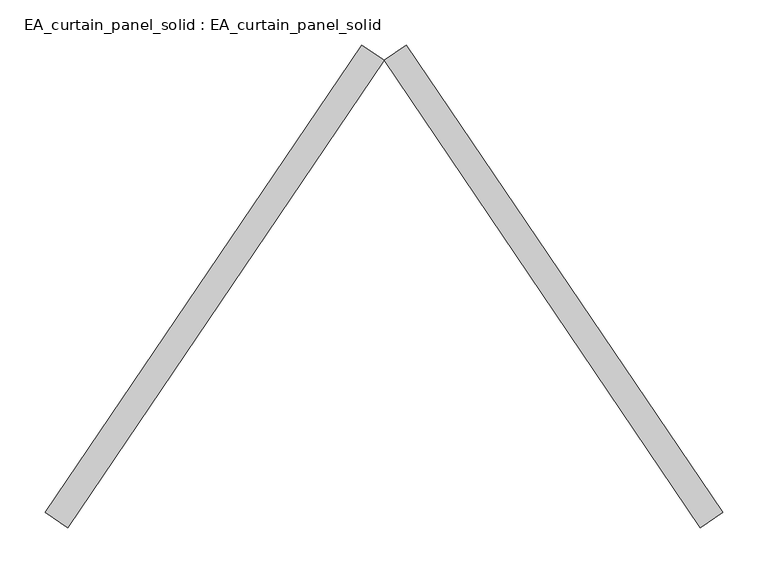
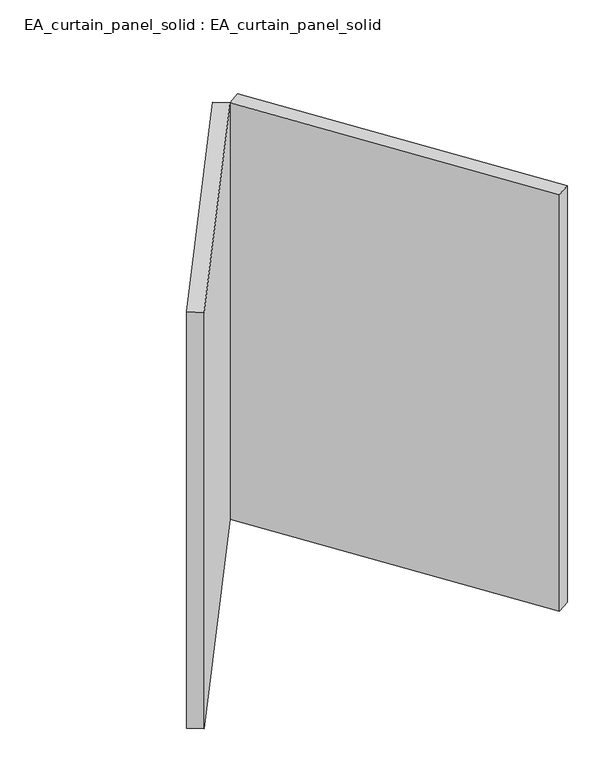
"""IFC4 building model written with IfcOpenShell, lengths in millimetres: plate geometry, EA_curtain_panel_solid : EA_curtain_panel_solid."""

from ifc_helpers import new_model, si_unit, origin, origin_with_axes, place, context, project, spatial, polyline, outline, extrude, source, transform, mapped, element, save


def ea_curtain_panel_solid_ea_curtain_panel_solid_38491639(model_context):
    return source(origin(), model_context, "Body", "SweptSolid", [
        extrude(outline(polyline([(-225.150093, 517.7063959), (125.0, 0.0), (100.150093, -16.8072045), (-250.0, 500.8991915), (-225.150093, 517.7063959)])), origin_with_axes(), (0.0, 0.0, 1.0), 866.6666667),
        extrude(outline(polyline([(-274.849907, 517.7063959), (-250.0, 500.8991915), (-600.150093, -16.8072045), (-625.0, 0.0), (-274.849907, 517.7063959)])), origin_with_axes(), (0.0, 0.0, 1.0), 866.6666667),
    ])


if __name__ == "__main__":
    model = new_model("IFC4")
    model_context = context("Model", 3, world=origin())
    ifc_project = project(units=[si_unit("LENGTHUNIT", "METRE", prefix="MILLI")], contexts=[model_context])
    site = spatial("IfcSite", under=ifc_project)
    building = spatial("IfcBuilding", under=site)
    placement = place(None, origin())
    ea_curtain_panel_solid_ea_curtain_panel_solid_shape = ea_curtain_panel_solid_ea_curtain_panel_solid_38491639(model_context)
    element("IfcPlate", 1, ObjectType="EA_curtain_panel_solid : EA_curtain_panel_solid", at=placement, inside=building, context=model_context, shape_type="MappedRepresentation", body=[
        mapped(ea_curtain_panel_solid_ea_curtain_panel_solid_shape, transform((0.0, 0.0, 0.0), x_axis=(1.0, 0.0, 0.0), y_axis=(0.0, 1.0, 0.0), z_axis=(0.0, 0.0, 1.0))),
    ])
    save(model, "model.ifc")
